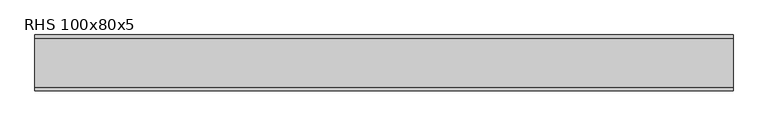
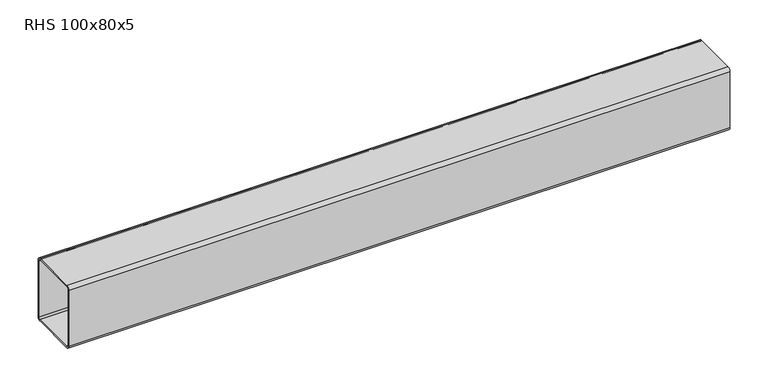
"""IFC4 building model written with IfcOpenShell, lengths in millimetres: beam geometry, RHS 100x80x5."""

import ifcopenshell
import ifcopenshell.guid

model = None  # the IFC model being written
_history = None  # IfcOwnerHistory: only IFC2X3 demands one
_inside = {}  # id of a spatial element -> (the spatial element, [elements in it])
_under = {}  # id of a project, library or spatial element -> (it, [spatial elements below it])
_declared = {}  # id of a project -> (the project, [libraries it declares])
_typed = {}  # id of a type object -> (the type object, [elements of that type])
_made_of = {}  # id of a material, layer set ... -> (it, [elements and type objects made of it])


def new_model(schema):
    """Start an empty IFC model of exactly this schema.

    Asked for "IFC4X3", IfcOpenShell would pick the latest addendum, in which some entities
    have other attributes; the version numbers below select the first issue.
    IFC2X3 requires an IfcOwnerHistory on every rooted entity: one is made here for all.
    """
    global model, _history
    if schema == "IFC4X3":
        model = ifcopenshell.file(schema_version=(4, 3, 0, 0))
    else:
        model = ifcopenshell.file(schema=schema)
    _inside.clear()
    _under.clear()
    _declared.clear()
    _typed.clear()
    _made_of.clear()
    _history = None
    if model.schema == "IFC2X3":
        org = make("IfcOrganization", Name="unknown")
        user = make(
            "IfcPersonAndOrganization",
            ThePerson=make("IfcPerson", FamilyName="unknown"),
            TheOrganization=org,
        )
        app = make(
            "IfcApplication",
            ApplicationDeveloper=org,
            Version="unknown",
            ApplicationFullName="unknown",
            ApplicationIdentifier="unknown",
        )
        _history = make(
            "IfcOwnerHistory",
            OwningUser=user,
            OwningApplication=app,
            ChangeAction="ADDED",
            CreationDate=0,
        )
    return model


def make(cls, **values):
    """One entity of the class cls with the attributes given. An attribute that is None is left unset."""
    return model.create_entity(
        cls, **{name: value for name, value in values.items() if value is not None}
    )


def rooted(cls, **values):
    """An entity with a GlobalId (a new one), such as an element, a storey or a relation."""
    return make(cls, GlobalId=ifcopenshell.guid.new(), OwnerHistory=_history, **values)


def si_unit(unit_type, name, prefix=None):
    """IfcSIUnit, for example si_unit("LENGTHUNIT", "METRE", prefix="MILLI")."""
    return make("IfcSIUnit", UnitType=unit_type, Prefix=prefix, Name=name)


def assignment(units):
    """IfcUnitAssignment: the units of a project."""
    return None if units is None else make("IfcUnitAssignment", Units=units)


def point(xyz):
    """IfcCartesianPoint."""
    return None if xyz is None else make("IfcCartesianPoint", Coordinates=xyz)


def direction(xyz):
    """IfcDirection."""
    return None if xyz is None else make("IfcDirection", DirectionRatios=xyz)


def frame(location, z_axis=None, x_axis=None):
    """IfcAxis2Placement3D, a coordinate frame: its origin and axes. An axis left out is left unset."""
    return make(
        "IfcAxis2Placement3D",
        Location=point(location),
        Axis=direction(z_axis),
        RefDirection=direction(x_axis),
    )


def frame_2d(location, x_axis=None):
    """IfcAxis2Placement2D, a coordinate frame in the plane: its origin and x axis."""
    return make(
        "IfcAxis2Placement2D", Location=point(location), RefDirection=direction(x_axis)
    )


def origin():
    """The frame at (0, 0, 0) with its axes left unset."""
    return frame((0.0, 0.0, 0.0))


def place(relative_to, where):
    """IfcLocalPlacement: puts the frame where relative to a parent placement (None: the world)."""
    return make(
        "IfcLocalPlacement", PlacementRelTo=relative_to, RelativePlacement=where
    )


def context(
    kind, dimensions, precision=None, world=None, true_north=None, identifier=None
):
    """IfcGeometricRepresentationContext, for example the 3D "Model" context."""
    return make(
        "IfcGeometricRepresentationContext",
        ContextIdentifier=identifier,
        ContextType=kind,
        CoordinateSpaceDimension=dimensions,
        Precision=precision,
        WorldCoordinateSystem=world,
        TrueNorth=true_north,
    )


def project(units=None, contexts=None):
    """IfcProject with its units and contexts."""
    return rooted(
        "IfcProject",
        Name="project",
        RepresentationContexts=contexts,
        UnitsInContext=assignment(units),
    )


def spatial(cls, under=None, at=None, **own):
    """A site, building, storey or space (cls), placed at a placement, below another one or the project."""
    s = rooted(cls, ObjectPlacement=at, **own)
    if under is not None:
        _under.setdefault(under.id(), (under, []))[1].append(s)
    return s


def polyline(points):
    """IfcPolyline through the points."""
    return make("IfcPolyline", Points=[point(p) for p in points])


def circle_curve(where, radius):
    """IfcCircle in the frame where."""
    return make("IfcCircle", Position=where, Radius=radius)


def trimmed(basis, trim1, trim2, sense, master):
    """IfcTrimmedCurve: the piece of a basis curve between two trims."""
    return make(
        "IfcTrimmedCurve",
        BasisCurve=basis,
        Trim1=trim1,
        Trim2=trim2,
        SenseAgreement=sense,
        MasterRepresentation=master,
    )


def segment(curve, same_sense, transition):
    """IfcCompositeCurveSegment."""
    return make(
        "IfcCompositeCurveSegment",
        Transition=transition,
        SameSense=same_sense,
        ParentCurve=curve,
    )


def composite_curve(segments, self_intersect=None):
    """IfcCompositeCurve: segments joined end to end."""
    return make("IfcCompositeCurve", Segments=segments, SelfIntersect=self_intersect)


def outline(outer, holes=None, kind="AREA"):
    """IfcArbitraryClosedProfileDef: a profile drawn as a closed curve; with holes, ...WithVoids."""
    if holes is None:
        return make("IfcArbitraryClosedProfileDef", ProfileType=kind, OuterCurve=outer)
    return make(
        "IfcArbitraryProfileDefWithVoids",
        ProfileType=kind,
        OuterCurve=outer,
        InnerCurves=holes,
    )


def extrude(swept, where, along, depth):
    """IfcExtrudedAreaSolid: the profile swept, set in the frame where, extruded along a direction by depth."""
    return make(
        "IfcExtrudedAreaSolid",
        SweptArea=swept,
        Position=where,
        ExtrudedDirection=direction(along),
        Depth=depth,
    )


def shape(context_of_items, identifier, shape_type, items):
    """IfcShapeRepresentation: the items that make up one representation, for example the "Body"."""
    return make(
        "IfcShapeRepresentation",
        ContextOfItems=context_of_items,
        RepresentationIdentifier=identifier,
        RepresentationType=shape_type,
        Items=items,
    )


def source(mapping_origin, context_of_items, identifier, shape_type, items):
    """IfcRepresentationMap: a shape defined once, which mapped items show again and again."""
    return make(
        "IfcRepresentationMap",
        MappingOrigin=mapping_origin,
        MappedRepresentation=shape(context_of_items, identifier, shape_type, items),
    )


def transform(
    local_origin,
    x_axis=None,
    y_axis=None,
    z_axis=None,
    scale=None,
    scale2=None,
    scale3=None,
    uniform=True,
):
    """IfcCartesianTransformationOperator3D, or its non-uniform kind. x_axis, y_axis, z_axis: its Axis1, 2, 3."""
    if uniform:
        return make(
            "IfcCartesianTransformationOperator3D",
            Axis1=direction(x_axis),
            Axis2=direction(y_axis),
            LocalOrigin=point(local_origin),
            Scale=scale,
            Axis3=direction(z_axis),
        )
    return make(
        "IfcCartesianTransformationOperator3DnonUniform",
        Axis1=direction(x_axis),
        Axis2=direction(y_axis),
        LocalOrigin=point(local_origin),
        Scale=scale,
        Axis3=direction(z_axis),
        Scale2=scale2,
        Scale3=scale3,
    )


def mapped(mapping_source, mapping_target):
    """IfcMappedItem: shows the shape of a source again, moved by a transform."""
    return make(
        "IfcMappedItem", MappingSource=mapping_source, MappingTarget=mapping_target
    )


def made_of(thing, what):
    """Note that an element or type object is made of a material, layer set ...; save() writes the relation."""
    if what is not None:
        _made_of.setdefault(what.id(), (what, []))[1].append(thing)
    return thing


def element(
    cls,
    number,
    at=None,
    inside=None,
    cuts=None,
    type_object=None,
    material=None,
    context=None,
    identifier="Body",
    shape_type=None,
    held_by="IfcProductDefinitionShape",
    body=None,
    shapes=None,
    **own,
):
    """One element of the class cls, such as IfcWall. Its Tag is "e" and its number.

    at: its placement. inside: the storey or other place that contains it. cuts: it is an
    opening in that element (IfcRelVoidsElement). A single representation is given by context,
    identifier, shape_type and body (its items); several are given by shapes. held_by: the class
    of the entity that holds the representations. save() writes the other relations.
    """
    e = rooted(cls, Tag="e%d" % number, ObjectPlacement=at, **own)
    if body is not None:
        shapes = [shape(context, identifier, shape_type, body)]
    if shapes is not None:
        e.Representation = make(held_by, Representations=shapes)
    if inside is not None:
        _inside.setdefault(inside.id(), (inside, []))[1].append(e)
    if cuts is not None:
        rooted(
            "IfcRelVoidsElement", RelatingBuildingElement=cuts, RelatedOpeningElement=e
        )
    if type_object is not None:
        _typed.setdefault(type_object.id(), (type_object, []))[1].append(e)
    return made_of(e, material)


def aggregate(whole, parts):
    """IfcRelAggregates: a whole, such as a stair, and the parts it consists of."""
    return rooted("IfcRelAggregates", RelatingObject=whole, RelatedObjects=parts)


def save(model, path):
    """Write the relations noted so far, then the file.

    IfcRelAggregates (storeys below a building ...), IfcRelContainedInSpatialStructure (elements
    in a storey), IfcRelDefinesByType, IfcRelAssociatesMaterial and IfcRelDeclares: one each for
    every whole, place, type object, material and project.
    """
    for whole, parts in _under.values():
        aggregate(whole, parts)
    for where, things in _inside.values():
        rooted(
            "IfcRelContainedInSpatialStructure",
            RelatedElements=things,
            RelatingStructure=where,
        )
    for kind, things in _typed.values():
        rooted("IfcRelDefinesByType", RelatedObjects=things, RelatingType=kind)
    for what, things in _made_of.values():
        rooted("IfcRelAssociatesMaterial", RelatedObjects=things, RelatingMaterial=what)
    for by, libraries in _declared.values():
        rooted("IfcRelDeclares", RelatingContext=by, RelatedDefinitions=libraries)
    model.write(path)


def rhs_100x80x5_ad6d9651(model_context):
    return source(origin(), model_context, "Body", "SweptSolid", [
        extrude(outline(composite_curve([segment(polyline([(40.0, 45.0), (40.0, -45.0)]), True, "CONTINUOUS"), segment(trimmed(circle_curve(frame_2d((35.0, -45.0)), 5.0), [point((40.0, -45.0))], [point((35.0, -50.0))], False, "CARTESIAN"), True, "CONTINUOUS"), segment(polyline([(35.0, -50.0), (-35.0, -50.0)]), True, "CONTINUOUS"), segment(trimmed(circle_curve(frame_2d((-35.0, -45.0)), 5.0), [point((-35.0, -50.0))], [point((-40.0, -45.0))], False, "CARTESIAN"), True, "CONTINUOUS"), segment(polyline([(-40.0, -45.0), (-40.0, 45.0)]), True, "CONTINUOUS"), segment(trimmed(circle_curve(frame_2d((-35.0, 45.0)), 5.0), [point((-40.0, 45.0))], [point((-35.0, 50.0))], False, "CARTESIAN"), True, "CONTINUOUS"), segment(polyline([(-35.0, 50.0), (35.0, 50.0)]), True, "CONTINUOUS"), segment(trimmed(circle_curve(frame_2d((35.0, 45.0)), 5.0), [point((35.0, 50.0))], [point((40.0, 45.0))], False, "CARTESIAN"), True, "CONTINUOUS")], self_intersect=False), holes=[composite_curve([segment(trimmed(circle_curve(frame_2d((-35.0, 45.0)), 2.5), [point((-35.0, 47.5))], [point((-37.5, 45.0))], True, "CARTESIAN"), True, "CONTINUOUS"), segment(polyline([(-37.5, 45.0), (-37.5, -45.0)]), True, "CONTINUOUS"), segment(trimmed(circle_curve(frame_2d((-35.0, -45.0)), 2.5), [point((-37.5, -45.0))], [point((-35.0, -47.5))], True, "CARTESIAN"), True, "CONTINUOUS"), segment(polyline([(-35.0, -47.5), (35.0, -47.5)]), True, "CONTINUOUS"), segment(trimmed(circle_curve(frame_2d((35.0, -45.0)), 2.5), [point((35.0, -47.5))], [point((37.5, -45.0))], True, "CARTESIAN"), True, "CONTINUOUS"), segment(polyline([(37.5, -45.0), (37.5, 45.0)]), True, "CONTINUOUS"), segment(trimmed(circle_curve(frame_2d((35.0, 45.0)), 2.5), [point((37.5, 45.0))], [point((35.0, 47.5))], True, "CARTESIAN"), True, "CONTINUOUS"), segment(polyline([(35.0, 47.5), (-35.0, 47.5)]), True, "CONTINUOUS")], self_intersect=False)]), frame((-500.3263242, 0.0, 0.0), z_axis=(1.0, 0.0, 0.0), x_axis=(0.0, 1.0, 0.0)), (0.0, 0.0, 1.0), 1000.6526483),
    ])


if __name__ == "__main__":
    model = new_model("IFC4")
    model_context = context("Model", 3, world=origin())
    ifc_project = project(units=[si_unit("LENGTHUNIT", "METRE", prefix="MILLI")], contexts=[model_context])
    site = spatial("IfcSite", under=ifc_project)
    building = spatial("IfcBuilding", under=site)
    placement = place(None, origin())
    rhs_100x80x5_shape = rhs_100x80x5_ad6d9651(model_context)
    element("IfcBeam", 1, ObjectType="RHS 100x80x5", at=placement, inside=building, context=model_context, shape_type="MappedRepresentation", body=[
        mapped(rhs_100x80x5_shape, transform((0.0, 0.0, 0.0), x_axis=(1.0, 0.0, 0.0), y_axis=(0.0, 1.0, 0.0), z_axis=(0.0, 0.0, 1.0))),
    ])
    save(model, "model.ifc")
